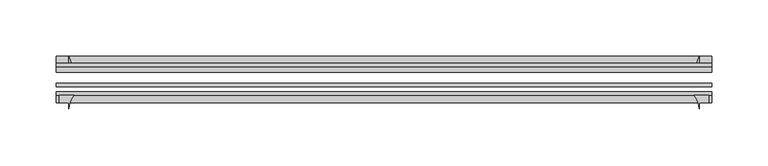
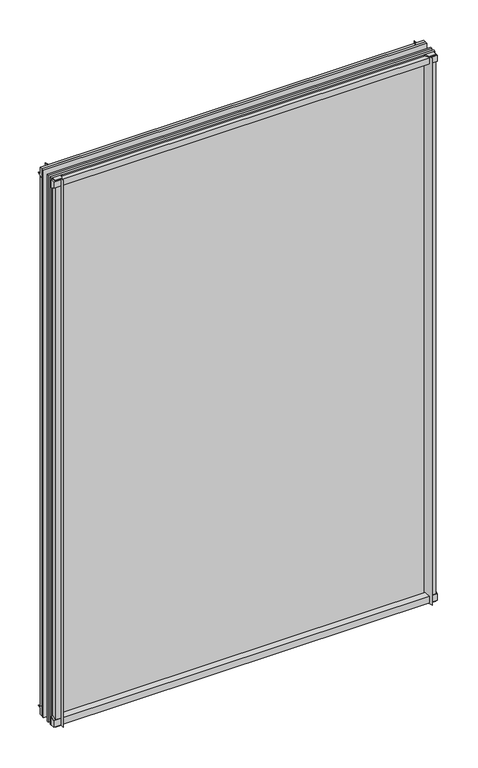
"""IFC4 building model written with IfcOpenShell, lengths in millimetres: plate geometry."""

from ifc_helpers import new_model, si_unit, point, frame, frame_2d, origin, place, context, project, spatial, polyline, circle_curve, trimmed, segment, composite_curve, outline, extrude, source, transform, mapped, element, save


def plate_d0b378a3(model_context):
    return source(origin(), model_context, "Body", "SweptSolid", [
        extrude(outline(composite_curve([segment(polyline([(-42.891075, -11.1125), (-42.891075, 3.8539528)]), True, "CONTINUOUS"), segment(trimmed(circle_curve(frame_2d((-26.637892, 29.5913262)), 30.4397495), [point((-42.891075, 3.8539528))], [point((-33.7745413, 0.0))], True, "CARTESIAN"), True, "CONTINUOUS"), segment(polyline([(-33.7745413, 0.0), (-39.690675, 0.0), (-39.690675, -11.1125), (-42.891075, -11.1125)]), True, "CONTINUOUS")], self_intersect=False)), frame((-290.5125, 0.0, 0.0), z_axis=(1.0, 0.0, 0.0), x_axis=(0.0, 1.0, 0.0)), (0.0, 0.0, 1.0), 581.025),
        extrude(outline(composite_curve([segment(trimmed(circle_curve(frame_2d((-80.4922797, 17.8701603)), 18.6769817), [point((-74.641075, 0.1333891))], [point((-68.291075, 3.72943))], True, "CARTESIAN"), True, "CONTINUOUS"), segment(polyline([(-68.291075, 3.72943), (-68.291075, -10.3251), (-74.641075, -10.3251), (-74.641075, 0.1333891)]), True, "CONTINUOUS")], self_intersect=False)), frame((-290.5125, 0.0, 0.0), z_axis=(1.0, 0.0, 0.0), x_axis=(0.0, 1.0, 0.0)), (0.0, 0.0, 1.0), 581.025),
        extrude(outline(composite_curve([segment(polyline([(-42.891075, 850.2083472), (-42.891075, 865.1875), (-39.690675, 865.1875), (-39.690675, 854.075), (-33.721675, 854.075)]), True, "CONTINUOUS"), segment(trimmed(circle_curve(frame_2d((-26.637892, 824.4709738)), 30.4397495), [point((-33.721675, 854.075))], [point((-42.891075, 850.2083472))], True, "CARTESIAN"), True, "CONTINUOUS")], self_intersect=False)), frame((-290.5125, 0.0, 0.0), z_axis=(1.0, 0.0, 0.0), x_axis=(0.0, 1.0, 0.0)), (0.0, 0.0, 1.0), 581.025),
        extrude(outline(composite_curve([segment(polyline([(-68.291075, 862.8126), (-68.291075, 849.53912)]), True, "CONTINUOUS"), segment(trimmed(circle_curve(frame_2d((-80.4922797, 835.3983897)), 18.6769817), [point((-68.291075, 849.53912))], [point((-74.641075, 853.1351609))], True, "CARTESIAN"), True, "CONTINUOUS"), segment(polyline([(-74.641075, 853.1351609), (-74.641075, 862.8126), (-68.291075, 862.8126)]), True, "CONTINUOUS")], self_intersect=False)), frame((-290.5125, 0.0, 0.0), z_axis=(1.0, 0.0, 0.0), x_axis=(0.0, 1.0, 0.0)), (0.0, 0.0, 1.0), 581.025),
        extrude(outline(composite_curve([segment(polyline([(274.86412, -68.291075), (288.1376, -68.291075), (288.1376, -74.641075), (279.4, -74.641075), (279.4, -80.3744844)]), True, "CONTINUOUS"), segment(trimmed(circle_curve(frame_2d((260.7233897, -80.4922797)), 18.6769817), [point((279.4, -80.3744844))], [point((274.86412, -68.291075))], True, "CARTESIAN"), True, "CONTINUOUS")], self_intersect=False)), frame((0.0, 0.0, -11.1125), z_axis=(0.0, 0.0, 1.0), x_axis=(1.0, 0.0, 0.0)), (0.0, 0.0, 1.0), 876.3),
        extrude(outline(composite_curve([segment(trimmed(circle_curve(frame_2d((249.7959738, -26.637892)), 30.4397495), [point((275.5333472, -42.891075))], [point((279.4, -33.721675))], True, "CARTESIAN"), True, "CONTINUOUS"), segment(polyline([(279.4, -33.721675), (279.4, -39.690675), (290.5125, -39.690675), (290.5125, -42.891075), (275.5333472, -42.891075)]), True, "CONTINUOUS")], self_intersect=False)), frame((0.0, 0.0, -11.1125), z_axis=(0.0, 0.0, 1.0), x_axis=(1.0, 0.0, 0.0)), (0.0, 0.0, 1.0), 876.3),
        extrude(outline(composite_curve([segment(trimmed(circle_curve(frame_2d((-260.7233897, -80.4922797)), 18.6769817), [point((-274.86412, -68.291075))], [point((-279.4, -80.3744844))], True, "CARTESIAN"), True, "CONTINUOUS"), segment(polyline([(-279.4, -80.3744844), (-279.4, -74.641075), (-288.1376, -74.641075), (-288.1376, -68.291075), (-274.86412, -68.291075)]), True, "CONTINUOUS")], self_intersect=False)), frame((0.0, 0.0, -11.1125), z_axis=(0.0, 0.0, 1.0), x_axis=(1.0, 0.0, 0.0)), (0.0, 0.0, 1.0), 876.3),
        extrude(outline(composite_curve([segment(polyline([(-275.5333472, -42.891075), (-290.5125, -42.891075), (-290.5125, -39.690675), (-279.4, -39.690675), (-279.4, -33.721675)]), True, "CONTINUOUS"), segment(trimmed(circle_curve(frame_2d((-249.7959738, -26.637892)), 30.4397495), [point((-279.4, -33.721675))], [point((-275.5333472, -42.891075))], True, "CARTESIAN"), True, "CONTINUOUS")], self_intersect=False)), frame((0.0, 0.0, -11.1125), z_axis=(0.0, 0.0, 1.0), x_axis=(1.0, 0.0, 0.0)), (0.0, 0.0, 1.0), 876.3),
        extrude(outline(polyline([(-290.5125, -42.891075), (290.5125, -42.891075), (290.5125, -47.653575), (-290.5125, -47.653575), (-290.5125, -42.891075)])), frame((0.0, 0.0, -11.1125), z_axis=(0.0, 0.0, 1.0), x_axis=(1.0, 0.0, 0.0)), (0.0, 0.0, 1.0), 876.3),
        extrude(outline(polyline([(290.5125, -57.369075), (290.5125, -60.544075), (-290.5125, -60.544075), (-290.5125, -57.369075), (290.5125, -57.369075)])), frame((0.0, 0.0, -11.1125), z_axis=(0.0, 0.0, 1.0), x_axis=(1.0, 0.0, 0.0)), (0.0, 0.0, 1.0), 876.3),
        extrude(outline(polyline([(-290.5125, -65.116075), (290.5125, -65.116075), (290.5125, -68.291075), (-290.5125, -68.291075), (-290.5125, -65.116075)])), frame((0.0, 0.0, -11.1125), z_axis=(0.0, 0.0, 1.0), x_axis=(1.0, 0.0, 0.0)), (0.0, 0.0, 1.0), 876.3),
    ])


if __name__ == "__main__":
    model = new_model("IFC4")
    model_context = context("Model", 3, world=origin())
    ifc_project = project(units=[si_unit("LENGTHUNIT", "METRE", prefix="MILLI")], contexts=[model_context])
    site = spatial("IfcSite", under=ifc_project)
    building = spatial("IfcBuilding", under=site)
    placement = place(None, origin())
    plate_shape = plate_d0b378a3(model_context)
    element("IfcPlate", 1, at=placement, inside=building, context=model_context, shape_type="MappedRepresentation", body=[
        mapped(plate_shape, transform((0.0, 0.0, 0.0), x_axis=(1.0, 0.0, 0.0), y_axis=(0.0, 1.0, 0.0), z_axis=(0.0, 0.0, 1.0))),
    ])
    save(model, "model.ifc")
